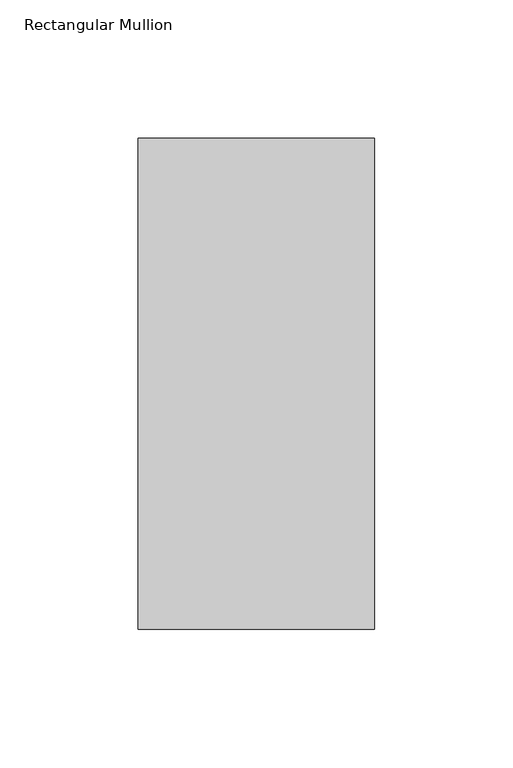
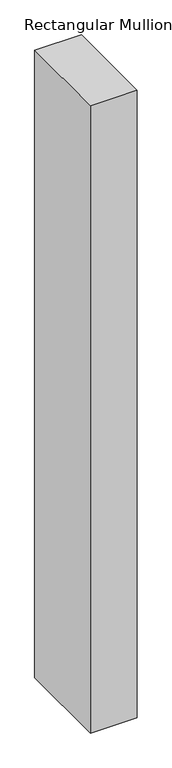
"""IFC4 building model written with IfcOpenShell, lengths in millimetres: member geometry, Rectangular Mullion."""

from ifc_helpers import new_model, si_unit, frame, origin, place, context, project, spatial, polyline, outline, extrude, source, transform, mapped, element, save


def rectangular_mullion_1c6102d7(model_context):
    return source(origin(), model_context, "Body", "SweptSolid", [
        extrude(outline(polyline([(-85.725, 147.6375), (0.0, 147.6375), (0.0, -30.1625), (-85.725, -30.1625), (-85.725, 147.6375)])), frame((0.0, 0.0, -1219.2), z_axis=(0.0, 0.0, 1.0), x_axis=(1.0, 0.0, 0.0)), (0.0, 0.0, 1.0), 1219.2),
    ])


if __name__ == "__main__":
    model = new_model("IFC4")
    model_context = context("Model", 3, world=origin())
    ifc_project = project(units=[si_unit("LENGTHUNIT", "METRE", prefix="MILLI")], contexts=[model_context])
    site = spatial("IfcSite", under=ifc_project)
    building = spatial("IfcBuilding", under=site)
    placement = place(None, origin())
    rectangular_mullion_shape = rectangular_mullion_1c6102d7(model_context)
    element("IfcMember", 1, ObjectType="Rectangular Mullion", at=placement, inside=building, context=model_context, shape_type="MappedRepresentation", body=[
        mapped(rectangular_mullion_shape, transform((0.0, 0.0, 0.0), x_axis=(1.0, 0.0, 0.0), y_axis=(0.0, 1.0, 0.0), z_axis=(0.0, 0.0, 1.0))),
    ])
    save(model, "model.ifc")
